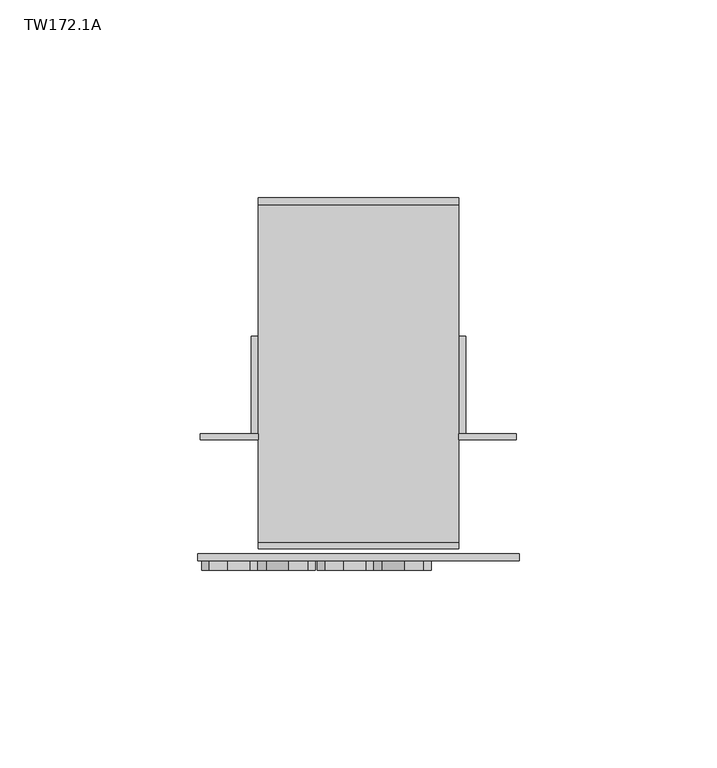
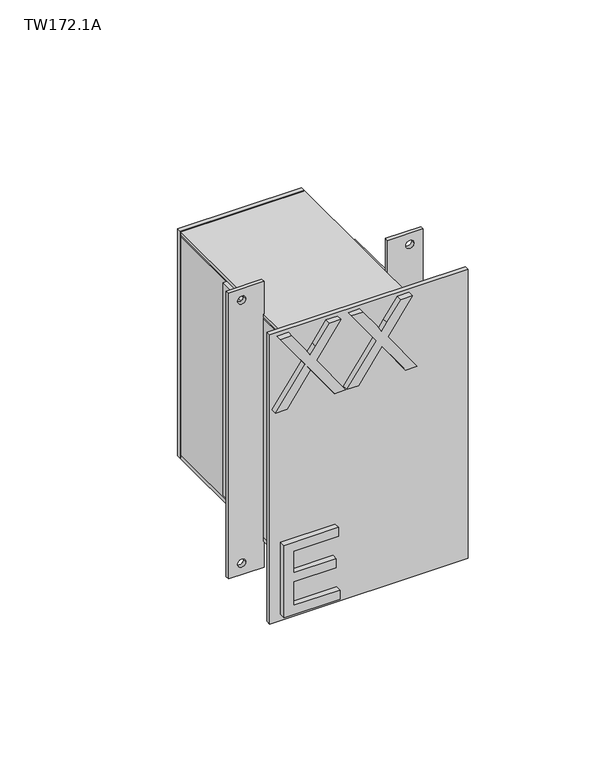
"""IFC4 building model written with IfcOpenShell, lengths in millimetres: furniture geometry, TW172.1A."""

from ifc_helpers import new_model, si_unit, point, frame, frame_2d, origin, place, context, project, spatial, polyline, circle_curve, trimmed, segment, composite_curve, outline, extrude, source, transform, mapped, element, save


def tw172_1a_802faeb3(model_context):
    return source(origin(), model_context, "Body", "SweptSolid", [
        extrude(outline(polyline([(1964.662524, -17.5680099), (1964.662524, 5.3896824), (1968.5702163, 5.3896824), (1968.5702163, -13.6603176), (1978.8279087, -13.6603176), (1978.8279087, 3.9242978), (1982.735601, 3.9242978), (1982.735601, -13.6603176), (1992.0163702, -13.6603176), (1992.0163702, 4.9012209), (1995.9240625, 4.9012209), (1995.9240625, -17.5680099), (1964.662524, -17.5680099)])), frame((0.0, -30.559375, 0.0), z_axis=(0.0, 1.0, 0.0), x_axis=(0.0, 0.0, 1.0)), (0.0, 0.0, 1.0), 2.38125),
        extrude(outline(polyline([(2054.6248799, -20.9872407), (2054.6248799, -16.2323729), (2065.7221154, -8.3940916), (2068.3018029, -6.5547287), (2065.9510818, -4.8832743), (2054.6248799, 3.1458122), (2054.6248799, 7.8319901), (2071.6141827, -4.2192719), (2085.8864183, 5.8781439), (2085.8864183, 1.1232761), (2077.9336539, -4.5016638), (2074.7586539, -6.7455339), (2077.8802284, -8.661219), (2085.8864183, -14.3472166), (2085.8864183, -19.0333945), (2071.659976, -8.9359787), (2054.6248799, -20.9872407)])), frame((0.0, -30.559375, 0.0), z_axis=(0.0, 1.0, 0.0), x_axis=(0.0, 0.0, 1.0)), (0.0, 0.0, 1.0), 2.38125),
        extrude(outline(polyline([(2054.6248799, 8.3204516), (2054.6248799, 13.0753194), (2065.7221154, 20.9136007), (2068.3018029, 22.7529636), (2065.9510818, 24.424418), (2054.6248799, 32.4535045), (2054.6248799, 37.1396824), (2071.6141827, 25.0884204), (2085.8864183, 35.1858362), (2085.8864183, 30.4309685), (2077.9336539, 24.8060286), (2074.7586539, 22.5621584), (2077.8802284, 20.6464733), (2085.8864183, 14.9604757), (2085.8864183, 10.2742978), (2071.659976, 20.3717136), (2054.6248799, 8.3204516)])), frame((0.0, -30.559375, 0.0), z_axis=(0.0, 1.0, 0.0), x_axis=(0.0, 0.0, 1.0)), (0.0, 0.0, 1.0), 2.38125),
        extrude(outline(polyline([(44.1377049, -25.1023438), (-6.6622951, -25.1023438), (-6.6622951, -23.5148437), (44.1377049, -23.5148437), (44.1377049, -25.1023438)])), frame((0.0, 0.0, 2059.6225), z_axis=(0.0, 0.0, 1.0), x_axis=(1.0, 0.0, 0.0)), (0.0, 0.0, 1.0), 12.7),
        extrude(outline(polyline([(44.1377049, -25.1023438), (-6.6622951, -25.1023438), (-6.6622951, -23.5148437), (44.1377049, -23.5148437), (44.1377049, -25.1023438)])), frame((0.0, 0.0, 1973.8975), z_axis=(0.0, 0.0, 1.0), x_axis=(1.0, 0.0, 0.0)), (0.0, 0.0, 1.0), 12.7),
        extrude(outline(polyline([(44.1377049, 63.7976562), (44.1377049, 62.0117187), (-6.6622951, 62.0117187), (-6.6622951, 63.7976562), (44.1377049, 63.7976562)])), frame((0.0, 0.0, 1973.8975), z_axis=(0.0, 0.0, 1.0), x_axis=(1.0, 0.0, 0.0)), (0.0, 0.0, 1.0), 98.425),
        extrude(outline(polyline([(-4.8763576, -23.5148437), (-6.6622951, -23.5148437), (-6.6622951, 62.0117188), (-4.8763576, 62.0117187), (-4.8763576, -23.5148437)])), frame((0.0, 0.0, 1975.6834375), z_axis=(0.0, 0.0, 1.0), x_axis=(1.0, 0.0, 0.0)), (0.0, 0.0, 1.0), 94.853125),
        extrude(outline(polyline([(44.1377049, -23.5148437), (42.3517674, -23.5148437), (42.3517674, 62.0117187), (44.1377049, 62.0117187), (44.1377049, -23.5148437)])), frame((0.0, 0.0, 1975.6834375), z_axis=(0.0, 0.0, 1.0), x_axis=(1.0, 0.0, 0.0)), (0.0, 0.0, 1.0), 94.853125),
        extrude(outline(polyline([(44.1377049, -23.5148437), (-6.6622951, -23.5148437), (-6.6622951, 62.0117188), (44.1377049, 62.0117187), (44.1377049, -23.5148437)])), frame((0.0, 0.0, 2070.5365625), z_axis=(0.0, 0.0, 1.0), x_axis=(1.0, 0.0, 0.0)), (0.0, 0.0, 1.0), 1.7859375),
        extrude(outline(polyline([(44.1377049, -23.5148437), (-6.6622951, -23.5148437), (-6.6622951, 62.0117188), (44.1377049, 62.0117187), (44.1377049, -23.5148437)])), frame((0.0, 0.0, 1973.8975), z_axis=(0.0, 0.0, 1.0), x_axis=(1.0, 0.0, 0.0)), (0.0, 0.0, 1.0), 1.7859375),
        extrude(outline(polyline([(-6.6622951, 28.6742188), (-6.6622951, 4.0679688), (-8.4482326, 4.0679688), (-8.4482326, 28.6742188), (-6.6622951, 28.6742188)])), frame((0.0, 0.0, 1978.66), z_axis=(0.0, 0.0, 1.0), x_axis=(1.0, 0.0, 0.0)), (0.0, 0.0, 1.0), 92.1742187),
        extrude(outline(polyline([(45.9236424, 28.6742188), (45.9236424, 4.0679688), (44.1377049, 4.0679688), (44.1377049, 28.6742188), (45.9236424, 28.6742188)])), frame((0.0, 0.0, 1978.66), z_axis=(0.0, 0.0, 1.0), x_axis=(1.0, 0.0, 0.0)), (0.0, 0.0, 1.0), 92.1742187),
        extrude(outline(polyline([(2086.7092187, -6.6622951), (2086.7092187, -21.2474513), (1962.785, -21.2474513), (1962.785, -6.6622951), (2086.7092187, -6.6622951)]), holes=[composite_curve([segment(trimmed(circle_curve(frame_2d((2081.8475, -15.7904201)), 1.6867188), [point((2081.8475, -17.4771388))], [point((2081.8475, -14.1037013))], True, "CARTESIAN"), True, "CONTINUOUS"), segment(trimmed(circle_curve(frame_2d((2081.8475, -15.7904201)), 1.6867188), [point((2081.8475, -14.1037013))], [point((2081.8475, -17.4771388))], True, "CARTESIAN"), True, "CONTINUOUS")], self_intersect=False), composite_curve([segment(trimmed(circle_curve(frame_2d((1967.6467187, -15.7904201)), 1.6867188), [point((1967.6467187, -17.4771388))], [point((1967.6467187, -14.1037013))], True, "CARTESIAN"), True, "CONTINUOUS"), segment(trimmed(circle_curve(frame_2d((1967.6467187, -15.7904201)), 1.6867188), [point((1967.6467187, -14.1037013))], [point((1967.6467187, -17.4771388))], True, "CARTESIAN"), True, "CONTINUOUS")], self_intersect=False)]), frame((0.0, 2.4804688, 0.0), z_axis=(0.0, 1.0, 0.0), x_axis=(0.0, 0.0, 1.0)), (0.0, 0.0, 1.0), 1.5875),
        extrude(outline(polyline([(2086.7092187, 58.7228612), (2086.7092187, 44.1377049), (1962.785, 44.1377049), (1962.785, 58.7228612), (2086.7092187, 58.7228612)]), holes=[composite_curve([segment(trimmed(circle_curve(frame_2d((2081.8475, 53.2658299)), 1.6867188), [point((2081.8475, 51.5791112))], [point((2081.8475, 54.9525487))], True, "CARTESIAN"), True, "CONTINUOUS"), segment(trimmed(circle_curve(frame_2d((2081.8475, 53.2658299)), 1.6867188), [point((2081.8475, 54.9525487))], [point((2081.8475, 51.5791112))], True, "CARTESIAN"), True, "CONTINUOUS")], self_intersect=False), composite_curve([segment(trimmed(circle_curve(frame_2d((1967.6467187, 53.2658299)), 1.6867188), [point((1967.6467187, 51.5791112))], [point((1967.6467187, 54.9525487))], True, "CARTESIAN"), True, "CONTINUOUS"), segment(trimmed(circle_curve(frame_2d((1967.6467187, 53.2658299)), 1.6867188), [point((1967.6467187, 54.9525487))], [point((1967.6467187, 51.5791112))], True, "CARTESIAN"), True, "CONTINUOUS")], self_intersect=False)]), frame((0.0, 2.4804688, 0.0), z_axis=(0.0, 1.0, 0.0), x_axis=(0.0, 0.0, 1.0)), (0.0, 0.0, 1.0), 1.5875),
        extrude(outline(polyline([(59.4670018, -28.178125), (-21.991592, -28.178125), (-21.991592, -26.2929687), (59.4670018, -26.2929687), (59.4670018, -28.178125)])), frame((0.0, 0.0, 1961.99125), z_axis=(0.0, 0.0, 1.0), x_axis=(1.0, 0.0, 0.0)), (0.0, 0.0, 1.0), 125.5117188),
    ])


if __name__ == "__main__":
    model = new_model("IFC4")
    model_context = context("Model", 3, world=origin())
    ifc_project = project(units=[si_unit("LENGTHUNIT", "METRE", prefix="MILLI")], contexts=[model_context])
    site = spatial("IfcSite", under=ifc_project)
    building = spatial("IfcBuilding", under=site)
    placement = place(None, origin())
    tw172_1a_shape = tw172_1a_802faeb3(model_context)
    element("IfcFurniture", 1, ObjectType="TW172.1A", at=placement, inside=building, context=model_context, shape_type="MappedRepresentation", body=[
        mapped(tw172_1a_shape, transform((0.0, 0.0, 0.0), x_axis=(1.0, 0.0, 0.0), y_axis=(0.0, 1.0, 0.0), z_axis=(0.0, 0.0, 1.0))),
    ])
    save(model, "model.ifc")
